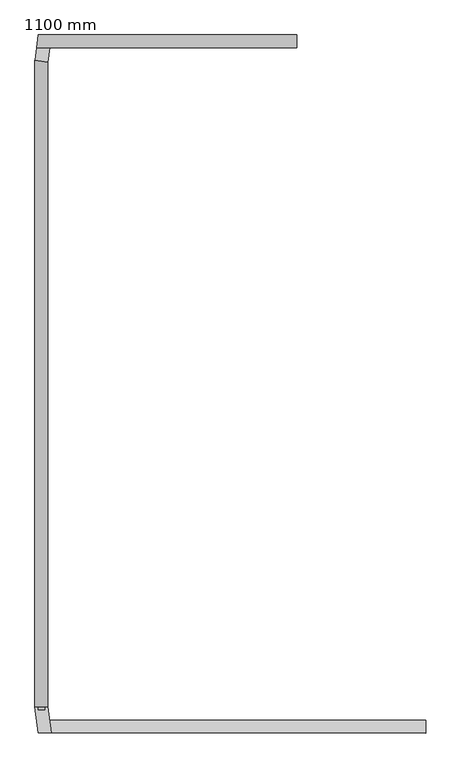
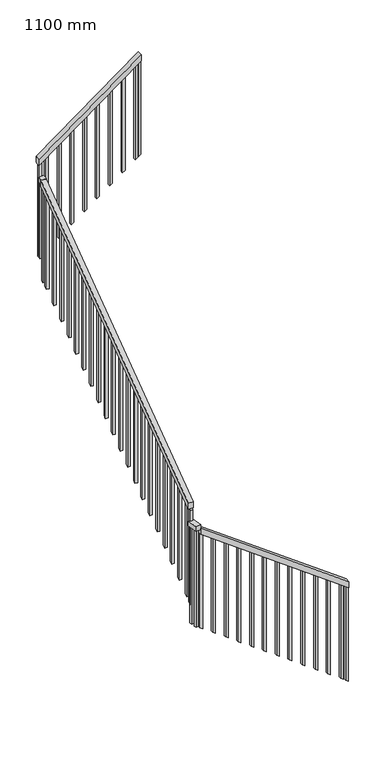
"""IFC4 building model written with IfcOpenShell, lengths in millimetres: railing geometry, 1100 mm."""

from ifc_helpers import new_model, si_unit, frame, origin, place, context, project, spatial, polyline, outline, extrude, faceted_brep, source, transform, mapped, element, save


def railing_1100_mm_896d7092(model_context):
    return source(origin(), model_context, "Body", "SolidModel", [
        faceted_brep([(809.5275333, -197.5476232, 5482.6086957), (809.5275333, -247.5476232, 5482.6086957), (809.5275333, -247.5476232, 5420.6907061), (809.5275333, -197.5476232, 5420.6907061), (-646.3333557, -197.5476232, 6546.0201277), (-646.3333557, -197.5476232, 6484.1021381), (-640.0833557, -247.5476232, 6479.5369207), (-640.0833557, -247.5476232, 6541.4549103)], [[[0, 1, 2, 3]], [[4, 5, 6, 7]], [[1, 0, 4, 7]], [[2, 1, 7, 6]], [[3, 2, 6, 5]], [[0, 3, 5, 4]]]),
        faceted_brep([(-640.0833557, -247.5476232, 6578.2608696), (-690.4724667, -247.5476232, 6578.2608696), (-690.4724667, -247.5476232, 6528.2608696), (-640.0833557, -247.5476232, 6528.2608696), (-652.7779112, -145.9911795, 6578.2608696), (-652.7779112, -145.9911795, 6528.2608696), (-703.1670221, -145.9911795, 6528.2608696), (-703.1670221, -145.9911795, 6578.2608696)], [[[0, 1, 2, 3]], [[4, 5, 6, 7]], [[1, 0, 4, 7]], [[2, 1, 7, 6]], [[3, 2, 6, 5]], [[0, 3, 5, 4]]]),
        faceted_brep([(-652.9724667, -145.9911795, 6762.0064458), (-702.9724667, -145.9911795, 6762.0064458), (-702.9724667, -145.9911795, 6700.0884563), (-652.9724667, -145.9911795, 6700.0884563), (-652.9724667, 2347.7709331, 8583.5370324), (-652.9724667, 2347.7709331, 8521.6190429), (-702.9724667, 2354.0209331, 8526.1842603), (-702.9724667, 2354.0209331, 8588.1022498)], [[[0, 1, 2, 3]], [[4, 5, 6, 7]], [[1, 0, 4, 7]], [[2, 1, 7, 6]], [[3, 2, 6, 5]], [[0, 3, 5, 4]]]),
        faceted_brep([(-653.1655197, 2347.7950647, 8586.9565217), (-702.7794136, 2353.9968015, 8586.9565217), (-702.7794136, 2353.9968015, 8536.9565217), (-653.1655197, 2347.7950647, 8536.9565217), (-646.3333557, 2402.4523768, 8586.9565217), (-646.3333557, 2402.4523768, 8536.9565217), (-696.7224667, 2402.4523768, 8536.9565217), (-696.7224667, 2402.4523768, 8586.9565217)], [[[0, 1, 2, 3]], [[4, 5, 6, 7]], [[1, 0, 4, 7]], [[2, 1, 7, 6]], [[3, 2, 6, 5]], [[0, 3, 5, 4]]]),
        faceted_brep([(-696.7224667, 2402.4523768, 8765.0), (-690.4724667, 2452.4523768, 8769.5652174), (-690.4724667, 2452.4523768, 8707.6472278), (-696.7224667, 2402.4523768, 8703.0820105), (309.5275333, 2402.4523768, 9500.0), (309.5275333, 2402.4523768, 9438.0820105), (309.5275333, 2452.4523768, 9438.0820105), (309.5275333, 2452.4523768, 9500.0)], [[[0, 1, 2, 3]], [[4, 5, 6, 7]], [[1, 0, 4, 7]], [[2, 1, 7, 6]], [[3, 2, 6, 5]], [[0, 3, 5, 4]]]),
        extrude(outline(polyline([(9399.4197727, 256.5970888), (8426.71186, 256.5970888), (8444.9727295, 281.5970888), (9417.6806423, 281.5970888), (9399.4197727, 256.5970888)])), frame((0.0, 2414.9523768, 0.0), z_axis=(0.0, 1.0, 0.0), x_axis=(0.0, 0.0, 1.0)), (0.0, 0.0, 1.0), 25.0),
        extrude(outline(polyline([(9308.1154249, 131.5970888), (8335.4075121, 131.5970888), (8353.6683817, 156.5970888), (9326.3762944, 156.5970888), (9308.1154249, 131.5970888)])), frame((0.0, 2414.9523768, 0.0), z_axis=(0.0, 1.0, 0.0), x_axis=(0.0, 0.0, 1.0)), (0.0, 0.0, 1.0), 25.0),
        extrude(outline(polyline([(9216.8110771, 6.5970888), (8244.1031643, 6.5970888), (8262.3640339, 31.5970888), (9235.0719466, 31.5970888), (9216.8110771, 6.5970888)])), frame((0.0, 2414.9523768, 0.0), z_axis=(0.0, 1.0, 0.0), x_axis=(0.0, 0.0, 1.0)), (0.0, 0.0, 1.0), 25.0),
        extrude(outline(polyline([(9125.5067292, -118.4029112), (8152.7988165, -118.4029112), (8171.059686, -93.4029112), (9143.7675988, -93.4029112), (9125.5067292, -118.4029112)])), frame((0.0, 2414.9523768, 0.0), z_axis=(0.0, 1.0, 0.0), x_axis=(0.0, 0.0, 1.0)), (0.0, 0.0, 1.0), 25.0),
        extrude(outline(polyline([(9034.2023814, -243.4029112), (8061.4944686, -243.4029112), (8079.7553382, -218.4029112), (9052.463251, -218.4029112), (9034.2023814, -243.4029112)])), frame((0.0, 2414.9523768, 0.0), z_axis=(0.0, 1.0, 0.0), x_axis=(0.0, 0.0, 1.0)), (0.0, 0.0, 1.0), 25.0),
        extrude(outline(polyline([(8942.8980336, -368.4029112), (7970.1901208, -368.4029112), (7988.4509904, -343.4029112), (8961.1589031, -343.4029112), (8942.8980336, -368.4029112)])), frame((0.0, 2414.9523768, 0.0), z_axis=(0.0, 1.0, 0.0), x_axis=(0.0, 0.0, 1.0)), (0.0, 0.0, 1.0), 25.0),
        extrude(outline(polyline([(8851.5936858, -493.4029112), (7878.885773, -493.4029112), (7897.1466426, -468.4029112), (8869.8545553, -468.4029112), (8851.5936858, -493.4029112)])), frame((0.0, 2414.9523768, 0.0), z_axis=(0.0, 1.0, 0.0), x_axis=(0.0, 0.0, 1.0)), (0.0, 0.0, 1.0), 25.0),
        extrude(outline(polyline([(8760.2893379, -618.4029112), (7787.5814252, -618.4029112), (7805.8422947, -593.4029112), (8778.5502075, -593.4029112), (8760.2893379, -618.4029112)])), frame((0.0, 2414.9523768, 0.0), z_axis=(0.0, 1.0, 0.0), x_axis=(0.0, 0.0, 1.0)), (0.0, 0.0, 1.0), 25.0),
        extrude(outline(polyline([(100.0, 0.0), (896.3547513, 0.0), (878.0938818, -25.0000001), (100.0, -25.0000001), (100.0, 0.0)])), frame((-659.3672565, 2398.9593927, 8636.9565217), z_axis=(-0.992277876713675, 0.12403473458915129, 0.0), x_axis=(0.0, 0.0, -1.0)), (0.0, 0.0, 1.0), 25.0),
        extrude(outline(polyline([(2279.0088205, 7498.6848914), (2279.0088205, 8471.3928041), (2304.0088205, 8489.6536737), (2304.0088205, 7516.9457609), (2279.0088205, 7498.6848914)])), frame((-690.4724667, 0.0, 0.0), z_axis=(1.0, 0.0, 0.0), x_axis=(0.0, 1.0, 0.0)), (0.0, 0.0, 1.0), 25.0),
        extrude(outline(polyline([(2154.0088205, 7407.3805435), (2154.0088205, 8380.0884563), (2179.0088205, 8398.3493259), (2179.0088205, 7425.6414131), (2154.0088205, 7407.3805435)])), frame((-690.4724667, 0.0, 0.0), z_axis=(1.0, 0.0, 0.0), x_axis=(0.0, 1.0, 0.0)), (0.0, 0.0, 1.0), 25.0),
        extrude(outline(polyline([(2029.0088205, 7316.0761957), (2029.0088205, 8288.7841085), (2054.0088205, 8307.044978), (2054.0088205, 7334.3370653), (2029.0088205, 7316.0761957)])), frame((-690.4724667, 0.0, 0.0), z_axis=(1.0, 0.0, 0.0), x_axis=(0.0, 1.0, 0.0)), (0.0, 0.0, 1.0), 25.0),
        extrude(outline(polyline([(1904.0088205, 7224.7718479), (1904.0088205, 8197.4797606), (1929.0088205, 8215.7406302), (1929.0088205, 7243.0327175), (1904.0088205, 7224.7718479)])), frame((-690.4724667, 0.0, 0.0), z_axis=(1.0, 0.0, 0.0), x_axis=(0.0, 1.0, 0.0)), (0.0, 0.0, 1.0), 25.0),
        extrude(outline(polyline([(1779.0088205, 7133.4675001), (1779.0088205, 8106.1754128), (1804.0088205, 8124.4362824), (1804.0088205, 7151.7283696), (1779.0088205, 7133.4675001)])), frame((-690.4724667, 0.0, 0.0), z_axis=(1.0, 0.0, 0.0), x_axis=(0.0, 1.0, 0.0)), (0.0, 0.0, 1.0), 25.0),
        extrude(outline(polyline([(1654.0088205, 7042.1631522), (1654.0088205, 8014.871065), (1679.0088205, 8033.1319346), (1679.0088205, 7060.4240218), (1654.0088205, 7042.1631522)])), frame((-690.4724667, 0.0, 0.0), z_axis=(1.0, 0.0, 0.0), x_axis=(0.0, 1.0, 0.0)), (0.0, 0.0, 1.0), 25.0),
        extrude(outline(polyline([(1529.0088205, 6950.8588044), (1529.0088205, 7923.5667172), (1554.0088205, 7941.8275867), (1554.0088205, 6969.119674), (1529.0088205, 6950.8588044)])), frame((-690.4724667, 0.0, 0.0), z_axis=(1.0, 0.0, 0.0), x_axis=(0.0, 1.0, 0.0)), (0.0, 0.0, 1.0), 25.0),
        extrude(outline(polyline([(1404.0088205, 6859.5544566), (1404.0088205, 7832.2623693), (1429.0088205, 7850.5232389), (1429.0088205, 6877.8153261), (1404.0088205, 6859.5544566)])), frame((-690.4724667, 0.0, 0.0), z_axis=(1.0, 0.0, 0.0), x_axis=(0.0, 1.0, 0.0)), (0.0, 0.0, 1.0), 25.0),
        extrude(outline(polyline([(1279.0088205, 6768.2501088), (1279.0088205, 7740.9580215), (1304.0088205, 7759.2188911), (1304.0088205, 6786.5109783), (1279.0088205, 6768.2501088)])), frame((-690.4724667, 0.0, 0.0), z_axis=(1.0, 0.0, 0.0), x_axis=(0.0, 1.0, 0.0)), (0.0, 0.0, 1.0), 25.0),
        extrude(outline(polyline([(1154.0088205, 6676.9457609), (1154.0088205, 7649.6536737), (1179.0088205, 7667.9145433), (1179.0088205, 6695.2066305), (1154.0088205, 6676.9457609)])), frame((-690.4724667, 0.0, 0.0), z_axis=(1.0, 0.0, 0.0), x_axis=(0.0, 1.0, 0.0)), (0.0, 0.0, 1.0), 25.0),
        extrude(outline(polyline([(1029.0088205, 6585.6414131), (1029.0088205, 7558.3493259), (1054.0088205, 7576.6101954), (1054.0088205, 6603.9022827), (1029.0088205, 6585.6414131)])), frame((-690.4724667, 0.0, 0.0), z_axis=(1.0, 0.0, 0.0), x_axis=(0.0, 1.0, 0.0)), (0.0, 0.0, 1.0), 25.0),
        extrude(outline(polyline([(904.0088205, 6494.3370653), (904.0088205, 7467.044978), (929.0088205, 7485.3058476), (929.0088205, 6512.5979348), (904.0088205, 6494.3370653)])), frame((-690.4724667, 0.0, 0.0), z_axis=(1.0, 0.0, 0.0), x_axis=(0.0, 1.0, 0.0)), (0.0, 0.0, 1.0), 25.0),
        extrude(outline(polyline([(779.0088205, 6403.0327175), (779.0088205, 7375.7406302), (804.0088205, 7394.0014998), (804.0088205, 6421.293587), (779.0088205, 6403.0327175)])), frame((-690.4724667, 0.0, 0.0), z_axis=(1.0, 0.0, 0.0), x_axis=(0.0, 1.0, 0.0)), (0.0, 0.0, 1.0), 25.0),
        extrude(outline(polyline([(654.0088205, 6311.7283696), (654.0088205, 7284.4362824), (679.0088205, 7302.6971519), (679.0088205, 6329.9892392), (654.0088205, 6311.7283696)])), frame((-690.4724667, 0.0, 0.0), z_axis=(1.0, 0.0, 0.0), x_axis=(0.0, 1.0, 0.0)), (0.0, 0.0, 1.0), 25.0),
        extrude(outline(polyline([(529.0088205, 6220.4240218), (529.0088205, 7193.1319346), (554.0088205, 7211.3928041), (554.0088205, 6238.6848914), (529.0088205, 6220.4240218)])), frame((-690.4724667, 0.0, 0.0), z_axis=(1.0, 0.0, 0.0), x_axis=(0.0, 1.0, 0.0)), (0.0, 0.0, 1.0), 25.0),
        extrude(outline(polyline([(404.0088205, 6129.119674), (404.0088205, 7101.8275867), (429.0088205, 7120.0884563), (429.0088205, 6147.3805435), (404.0088205, 6129.119674)])), frame((-690.4724667, 0.0, 0.0), z_axis=(1.0, 0.0, 0.0), x_axis=(0.0, 1.0, 0.0)), (0.0, 0.0, 1.0), 25.0),
        extrude(outline(polyline([(279.0088205, 6037.8153261), (279.0088205, 7010.5232389), (304.0088205, 7028.7841085), (304.0088205, 6056.0761957), (279.0088205, 6037.8153261)])), frame((-690.4724667, 0.0, 0.0), z_axis=(1.0, 0.0, 0.0), x_axis=(0.0, 1.0, 0.0)), (0.0, 0.0, 1.0), 25.0),
        extrude(outline(polyline([(154.0088205, 5946.5109783), (154.0088205, 6919.2188911), (179.0088205, 6937.4797606), (179.0088205, 5964.7718479), (154.0088205, 5946.5109783)])), frame((-690.4724667, 0.0, 0.0), z_axis=(1.0, 0.0, 0.0), x_axis=(0.0, 1.0, 0.0)), (0.0, 0.0, 1.0), 25.0),
        extrude(outline(polyline([(29.0088205, 5855.2066305), (29.0088205, 6827.9145433), (54.0088205, 6846.1754128), (54.0088205, 5873.4675001), (29.0088205, 5855.2066305)])), frame((-690.4724667, 0.0, 0.0), z_axis=(1.0, 0.0, 0.0), x_axis=(0.0, 1.0, 0.0)), (0.0, 0.0, 1.0), 25.0),
        extrude(outline(polyline([(-95.9911795, 5763.9022827), (-95.9911795, 6736.6101954), (-70.9911795, 6754.871065), (-70.9911795, 5782.1631522), (-95.9911795, 5763.9022827)])), frame((-690.4724667, 0.0, 0.0), z_axis=(1.0, 0.0, 0.0), x_axis=(0.0, 1.0, 0.0)), (0.0, 0.0, 1.0), 25.0),
        extrude(outline(polyline([(-662.2011745, -171.3832952), (-687.0081214, -174.4841635), (-690.1089897, -149.6772166), (-665.3020428, -146.5763483), (-662.2011745, -171.3832952)])), frame((0.0, 0.0, 5524.9900527), z_axis=(0.0, 0.0, 1.0), x_axis=(1.0, 0.0, 0.0)), (0.0, 0.0, 1.0), 1003.2708169),
        extrude(outline(polyline([(5488.8523586, -615.4724667), (6461.5602713, -615.4724667), (6479.8211409, -640.4724667), (5507.1132281, -640.4724667), (5488.8523586, -615.4724667)])), frame((0.0, -235.0476232, 0.0), z_axis=(0.0, 1.0, 0.0), x_axis=(0.0, 0.0, 1.0)), (0.0, 0.0, 1.0), 25.0),
        extrude(outline(polyline([(5397.5480107, -490.4724667), (6370.2559235, -490.4724667), (6388.5167931, -515.4724667), (5415.8088803, -515.4724667), (5397.5480107, -490.4724667)])), frame((0.0, -235.0476232, 0.0), z_axis=(0.0, 1.0, 0.0), x_axis=(0.0, 0.0, 1.0)), (0.0, 0.0, 1.0), 25.0),
        extrude(outline(polyline([(5306.2436629, -365.4724667), (6278.9515757, -365.4724667), (6297.2124452, -390.4724667), (5324.5045325, -390.4724667), (5306.2436629, -365.4724667)])), frame((0.0, -235.0476232, 0.0), z_axis=(0.0, 1.0, 0.0), x_axis=(0.0, 0.0, 1.0)), (0.0, 0.0, 1.0), 25.0),
        extrude(outline(polyline([(5214.9393151, -240.4724667), (6187.6472278, -240.4724667), (6205.9080974, -265.4724667), (5233.2001847, -265.4724667), (5214.9393151, -240.4724667)])), frame((0.0, -235.0476232, 0.0), z_axis=(0.0, 1.0, 0.0), x_axis=(0.0, 0.0, 1.0)), (0.0, 0.0, 1.0), 25.0),
        extrude(outline(polyline([(5123.6349673, -115.4724667), (6096.34288, -115.4724667), (6114.6037496, -140.4724667), (5141.8958368, -140.4724667), (5123.6349673, -115.4724667)])), frame((0.0, -235.0476232, 0.0), z_axis=(0.0, 1.0, 0.0), x_axis=(0.0, 0.0, 1.0)), (0.0, 0.0, 1.0), 25.0),
        extrude(outline(polyline([(5032.3306194, 9.5275333), (6005.0385322, 9.5275333), (6023.2994018, -15.4724667), (5050.591489, -15.4724667), (5032.3306194, 9.5275333)])), frame((0.0, -235.0476232, 0.0), z_axis=(0.0, 1.0, 0.0), x_axis=(0.0, 0.0, 1.0)), (0.0, 0.0, 1.0), 25.0),
        extrude(outline(polyline([(4941.0262716, 134.5275333), (5913.7341844, 134.5275333), (5931.9950539, 109.5275333), (4959.2871412, 109.5275333), (4941.0262716, 134.5275333)])), frame((0.0, -235.0476232, 0.0), z_axis=(0.0, 1.0, 0.0), x_axis=(0.0, 0.0, 1.0)), (0.0, 0.0, 1.0), 25.0),
        extrude(outline(polyline([(4849.7219238, 259.5275333), (5822.4298365, 259.5275333), (5840.6907061, 234.5275333), (4867.9827934, 234.5275333), (4849.7219238, 259.5275333)])), frame((0.0, -235.0476232, 0.0), z_axis=(0.0, 1.0, 0.0), x_axis=(0.0, 0.0, 1.0)), (0.0, 0.0, 1.0), 25.0),
        extrude(outline(polyline([(4758.417576, 384.5275333), (5731.1254887, 384.5275333), (5749.3863583, 359.5275333), (4776.6784455, 359.5275333), (4758.417576, 384.5275333)])), frame((0.0, -235.0476232, 0.0), z_axis=(0.0, 1.0, 0.0), x_axis=(0.0, 0.0, 1.0)), (0.0, 0.0, 1.0), 25.0),
        extrude(outline(polyline([(4667.1132281, 509.5275333), (5639.8211409, 509.5275333), (5658.0820105, 484.5275333), (4685.3740977, 484.5275333), (4667.1132281, 509.5275333)])), frame((0.0, -235.0476232, 0.0), z_axis=(0.0, 1.0, 0.0), x_axis=(0.0, 0.0, 1.0)), (0.0, 0.0, 1.0), 25.0),
        extrude(outline(polyline([(4575.8088803, 634.5275333), (5548.5167931, 634.5275333), (5566.7776626, 609.5275333), (4594.0697499, 609.5275333), (4575.8088803, 634.5275333)])), frame((0.0, -235.0476232, 0.0), z_axis=(0.0, 1.0, 0.0), x_axis=(0.0, 0.0, 1.0)), (0.0, 0.0, 1.0), 25.0),
        extrude(outline(polyline([(4484.5045325, 759.5275333), (5457.2124452, 759.5275333), (5475.4733148, 734.5275333), (4502.765402, 734.5275333), (4484.5045325, 759.5275333)])), frame((0.0, -235.0476232, 0.0), z_axis=(0.0, 1.0, 0.0), x_axis=(0.0, 0.0, 1.0)), (0.0, 0.0, 1.0), 25.0),
        extrude(outline(polyline([(8714.637164, -680.9029112), (7741.9292513, -680.9029112), (7760.1901208, -655.9029112), (8732.8980336, -655.9029112), (8714.637164, -680.9029112)])), frame((0.0, 2414.9523768, 0.0), z_axis=(0.0, 1.0, 0.0), x_axis=(0.0, 0.0, 1.0)), (0.0, 0.0, 1.0), 25.0),
        extrude(outline(polyline([(-667.1194274, 2336.9420255), (-691.9263743, 2340.0428938), (-688.8255059, 2364.8498407), (-664.018559, 2361.7489724), (-667.1194274, 2336.9420255)])), frame((0.0, 0.0, 7533.6857049), z_axis=(0.0, 0.0, 1.0), x_axis=(1.0, 0.0, 0.0)), (0.0, 0.0, 1.0), 1003.2708169),
        extrude(outline(polyline([(-158.4911795, 5718.2501088), (-158.4911795, 6690.9580215), (-133.4911795, 6709.2188911), (-133.4911795, 5736.5109783), (-158.4911795, 5718.2501088)])), frame((-690.4724667, 0.0, 0.0), z_axis=(1.0, 0.0, 0.0), x_axis=(0.0, 1.0, 0.0)), (0.0, 0.0, 1.0), 25.0),
        extrude(outline(polyline([(-654.4490035, -233.4006625), (-679.2559505, -236.5015308), (-682.3568188, -211.6945839), (-657.5498719, -208.5937156), (-654.4490035, -233.4006625)])), frame((0.0, 0.0, 5524.9900527), z_axis=(0.0, 0.0, 1.0), x_axis=(1.0, 0.0, 0.0)), (0.0, 0.0, 1.0), 1003.2708169),
        extrude(outline(polyline([(9419.8211409, 284.5275333), (8447.1132281, 284.5275333), (8465.3740977, 309.5275333), (9438.0820105, 309.5275333), (9419.8211409, 284.5275333)])), frame((0.0, 2414.9523768, 0.0), z_axis=(0.0, 1.0, 0.0), x_axis=(0.0, 0.0, 1.0)), (0.0, 0.0, 1.0), 25.0),
        extrude(outline(polyline([(4447.9827934, 809.5275333), (5420.6907061, 809.5275333), (5438.9515757, 784.5275333), (4466.2436629, 784.5275333), (4447.9827934, 809.5275333)])), frame((0.0, -235.0476232, 0.0), z_axis=(0.0, 1.0, 0.0), x_axis=(0.0, 0.0, 1.0)), (0.0, 0.0, 1.0), 25.0),
    ])


if __name__ == "__main__":
    model = new_model("IFC4")
    model_context = context("Model", 3, world=origin())
    ifc_project = project(units=[si_unit("LENGTHUNIT", "METRE", prefix="MILLI")], contexts=[model_context])
    site = spatial("IfcSite", under=ifc_project)
    building = spatial("IfcBuilding", under=site)
    placement = place(None, origin())
    railing_1100_mm_shape = railing_1100_mm_896d7092(model_context)
    element("IfcRailing", 1, ObjectType="1100 mm", at=placement, inside=building, context=model_context, shape_type="MappedRepresentation", body=[
        mapped(railing_1100_mm_shape, transform((0.0, 0.0, 0.0), x_axis=(1.0, 0.0, 0.0), y_axis=(0.0, 1.0, 0.0), z_axis=(0.0, 0.0, 1.0))),
    ])
    save(model, "model.ifc")
